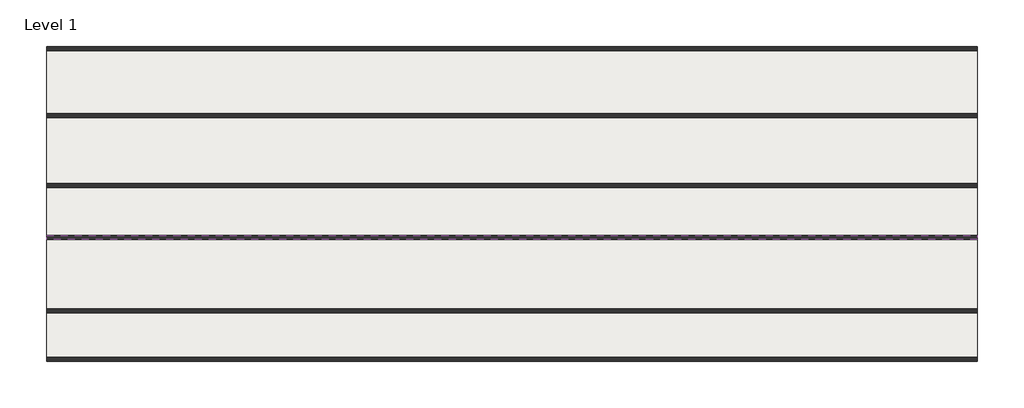
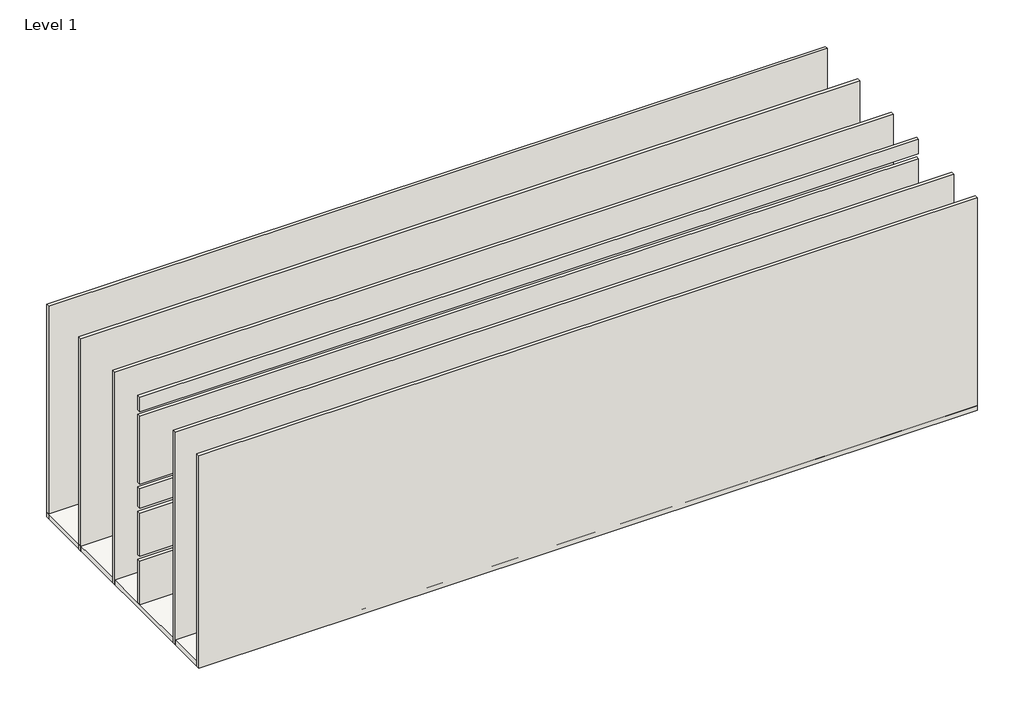
# One storey: 10 walls, 1 slab.
"""IFC4 building model written with IfcOpenShell, lengths in millimetres."""

from ifc_helpers import new_model, si_unit, frame, origin, origin_with_axes, place, context, project, spatial, polyline, outline, extrude, element, save

model = new_model("IFC4")

# Units and contexts
model_context = context("Model", 3, world=origin())
ifc_project = project(units=[si_unit("LENGTHUNIT", "METRE", prefix="MILLI")], contexts=[model_context])

# Site, building, storey
site = spatial("IfcSite", under=ifc_project)
building = spatial("IfcBuilding", under=site)
storey = spatial("IfcBuildingStorey", under=building, Name="Level 1", Elevation=0.0)

# Slab
placement = place(None, origin())
element("IfcSlab", 1, ObjectType="Generic - 12\"", at=placement, inside=storey, context=model_context, shape_type="SweptSolid", body=[
    extrude(outline(polyline([(-24114.9207687, 8597.2155593), (22367.0792313, 8597.2155593), (22367.0792313, -7150.7844407), (-24114.9207687, -7150.7844407), (-24114.9207687, 8597.2155593)])), frame((0.0, 0.0, -304.8), z_axis=(0.0, 0.0, 1.0), x_axis=(1.0, 0.0, 0.0)), (0.0, 0.0, 1.0), 304.8),
])

# Walls
element("IfcWall", 2, ObjectType="Generic - 8\"", at=placement, inside=storey, context=model_context, shape_type="SweptSolid", body=[
    extrude(outline(polyline([(22367.0792313, 1536.0155593), (-24114.9207687, 1536.0155593), (-24114.9207687, 1739.2155593), (22367.0792313, 1739.2155593), (22367.0792313, 1536.0155593)])), frame((0.0, 0.0, -304.8), z_axis=(0.0, 0.0, 1.0), x_axis=(1.0, 0.0, 0.0)), (0.0, 0.0, 1.0), 13411.2),
])
element("IfcWall", 3, ObjectType="Generic - 8\"", at=placement, inside=storey, context=model_context, shape_type="SweptSolid", body=[
    extrude(outline(polyline([(22367.0792313, 8394.0155593), (-24114.9207687, 8394.0155593), (-24114.9207687, 8597.2155593), (22367.0792313, 8597.2155593), (22367.0792313, 8394.0155593)])), frame((0.0, 0.0, -304.8), z_axis=(0.0, 0.0, 1.0), x_axis=(1.0, 0.0, 0.0)), (0.0, 0.0, 1.0), 13411.2),
])
element("IfcWall", 4, ObjectType="Generic - 8\"", at=placement, inside=storey, context=model_context, shape_type="SweptSolid", body=[
    extrude(outline(polyline([(22367.0792313, -7150.7844407), (-24114.9207687, -7150.7844407), (-24114.9207687, -6947.5844407), (22367.0792313, -6947.5844407), (22367.0792313, -7150.7844407)])), frame((0.0, 0.0, -304.8), z_axis=(0.0, 0.0, 1.0), x_axis=(1.0, 0.0, 0.0)), (0.0, 0.0, 1.0), 13411.2),
])
element("IfcWall", 5, ObjectType="Generic - 8\"", at=placement, inside=storey, context=model_context, shape_type="SweptSolid", body=[
    extrude(outline(polyline([(22367.0792313, -4712.3844407), (-24114.9207687, -4712.3844407), (-24114.9207687, -4509.1844407), (22367.0792313, -4509.1844407), (22367.0792313, -4712.3844407)])), frame((0.0, 0.0, -304.8), z_axis=(0.0, 0.0, 1.0), x_axis=(1.0, 0.0, 0.0)), (0.0, 0.0, 1.0), 13411.2),
])
element("IfcWall", 6, ObjectType="Generic - 8\"", at=placement, inside=storey, context=model_context, shape_type="SweptSolid", body=[
    extrude(outline(polyline([(22367.0792313, 5041.2155593), (-24114.9207687, 5041.2155593), (-24114.9207687, 5244.4155593), (22367.0792313, 5244.4155593), (22367.0792313, 5041.2155593)])), frame((0.0, 0.0, -304.8), z_axis=(0.0, 0.0, 1.0), x_axis=(1.0, 0.0, 0.0)), (0.0, 0.0, 1.0), 13411.2),
])
element("IfcWall", 7, ObjectType="Generic - 8\"", at=placement, inside=storey, context=model_context, shape_type="SweptSolid", body=[
    extrude(outline(polyline([(22367.0792313, -1054.7844407), (-24114.9207687, -1054.7844407), (-24114.9207687, -851.5844407), (22367.0792313, -851.5844407), (22367.0792313, -1054.7844407)])), frame((0.0, 0.0, 12192.0), z_axis=(0.0, 0.0, 1.0), x_axis=(1.0, 0.0, 0.0)), (0.0, 0.0, 1.0), 914.4),
])
element("IfcWall", 8, ObjectType="Generic - 8\"", at=placement, inside=storey, context=model_context, shape_type="SweptSolid", body=[
    extrude(outline(polyline([(22367.0792313, -1054.7844407), (-24114.9207687, -1054.7844407), (-24114.9207687, -851.5844407), (22367.0792313, -851.5844407), (22367.0792313, -1054.7844407)])), frame((0.0, 0.0, 7620.0), z_axis=(0.0, 0.0, 1.0), x_axis=(1.0, 0.0, 0.0)), (0.0, 0.0, 1.0), 4267.2),
])
element("IfcWall", 9, ObjectType="Generic - 8\"", at=placement, inside=storey, context=model_context, shape_type="SweptSolid", body=[
    extrude(outline(polyline([(22367.0792313, -1054.7844407), (-24114.9207687, -1054.7844407), (-24114.9207687, -851.5844407), (22367.0792313, -851.5844407), (22367.0792313, -1054.7844407)])), frame((0.0, 0.0, 6096.0), z_axis=(0.0, 0.0, 1.0), x_axis=(1.0, 0.0, 0.0)), (0.0, 0.0, 1.0), 1219.2),
])
element("IfcWall", 10, ObjectType="Generic - 8\"", at=placement, inside=storey, context=model_context, shape_type="SweptSolid", body=[
    extrude(outline(polyline([(22367.0792313, -1054.7844407), (-24114.9207687, -1054.7844407), (-24114.9207687, -851.5844407), (22367.0792313, -851.5844407), (22367.0792313, -1054.7844407)])), frame((0.0, 0.0, 3048.0), z_axis=(0.0, 0.0, 1.0), x_axis=(1.0, 0.0, 0.0)), (0.0, 0.0, 1.0), 2743.2),
])
element("IfcWall", 11, ObjectType="Generic - 8\"", at=placement, inside=storey, context=model_context, shape_type="SweptSolid", body=[
    extrude(outline(polyline([(22367.0792313, -1054.7844407), (-24114.9207687, -1054.7844407), (-24114.9207687, -851.5844407), (22367.0792313, -851.5844407), (22367.0792313, -1054.7844407)])), origin_with_axes(), (0.0, 0.0, 1.0), 2743.2),
])

save(model, "model.ifc")
